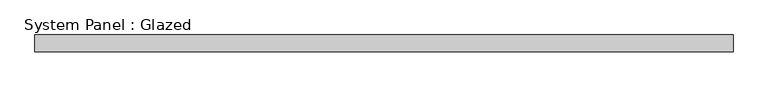
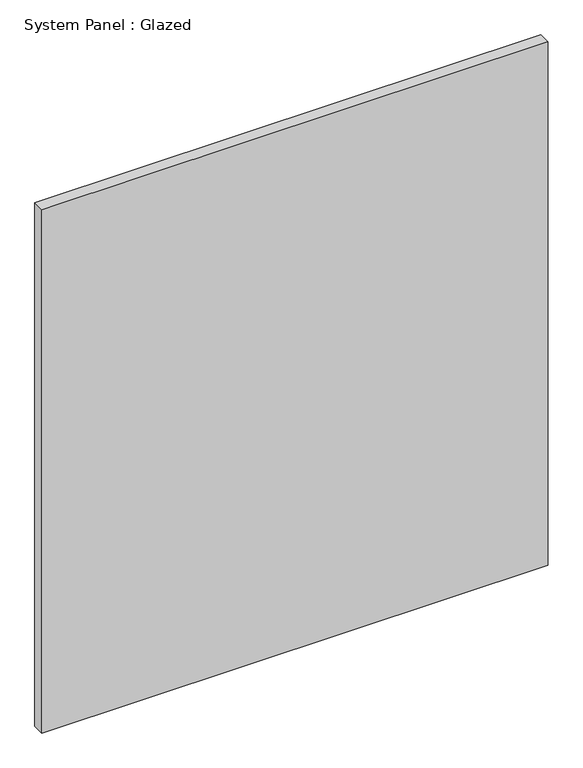
"""IFC4 building model written with IfcOpenShell, lengths in millimetres: plate geometry, System Panel : Glazed."""

from ifc_helpers import new_model, si_unit, origin, origin_with_axes, place, context, project, spatial, polyline, outline, extrude, source, transform, mapped, element, save


def system_panel_glazed_49c4e896(model_context):
    return source(origin(), model_context, "Body", "SweptSolid", [
        extrude(outline(polyline([(525.4625, -12.7), (-525.4625, -12.7), (-525.4625, 12.7), (525.4625, 12.7), (525.4625, -12.7)])), origin_with_axes(), (0.0, 0.0, 1.0), 1149.35),
    ])


if __name__ == "__main__":
    model = new_model("IFC4")
    model_context = context("Model", 3, world=origin())
    ifc_project = project(units=[si_unit("LENGTHUNIT", "METRE", prefix="MILLI")], contexts=[model_context])
    site = spatial("IfcSite", under=ifc_project)
    building = spatial("IfcBuilding", under=site)
    placement = place(None, origin())
    system_panel_glazed_shape = system_panel_glazed_49c4e896(model_context)
    element("IfcPlate", 1, ObjectType="System Panel : Glazed", at=placement, inside=building, context=model_context, shape_type="MappedRepresentation", body=[
        mapped(system_panel_glazed_shape, transform((0.0, 0.0, 0.0), x_axis=(1.0, 0.0, 0.0), y_axis=(0.0, 1.0, 0.0), z_axis=(0.0, 0.0, 1.0))),
    ])
    save(model, "model.ifc")
